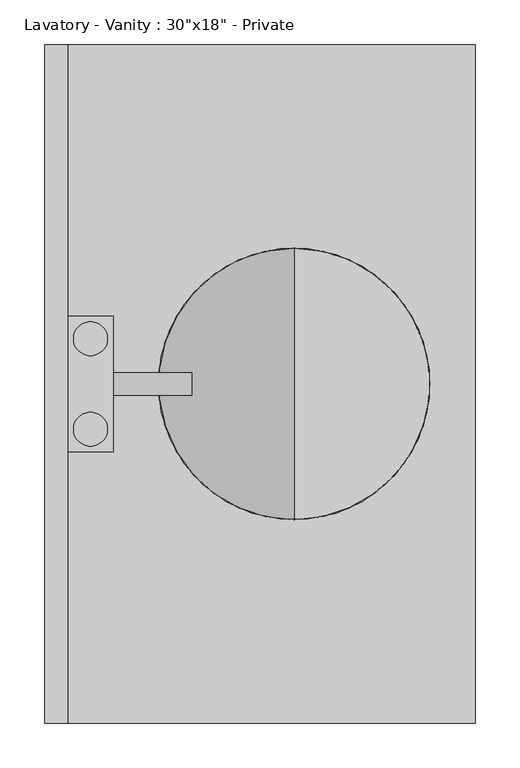
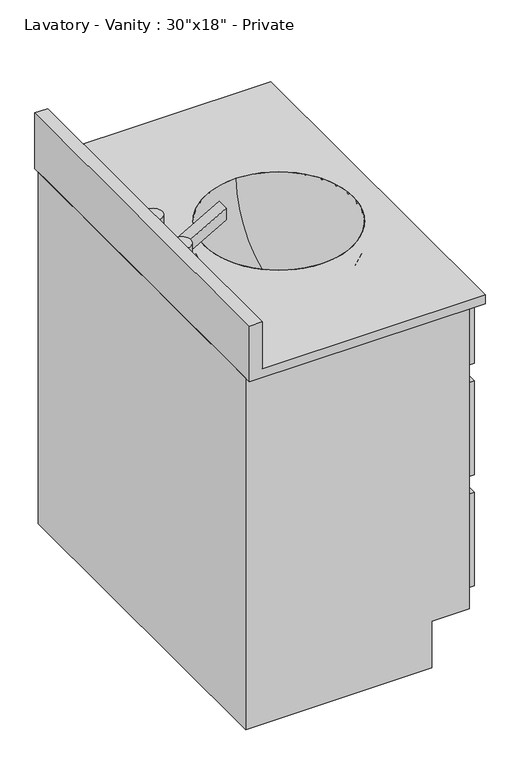
"""IFC4 building model written with IfcOpenShell, lengths in millimetres: flow terminal geometry."""

from ifc_helpers import new_model, si_unit, point, frame, origin, place, context, project, spatial, polyline, circle_curve, ellipse_curve, trimmed, faceted_brep, source, transform, mapped, element, save
from ifc_brep_helpers import plane_surface, cylinder_surface, revolved_surface, advanced_brep


def flow_terminal_a1ff1c74(model_context):
    return source(origin(), model_context, "Body", "SolidModel", [
        advanced_brep(
        [(32.54375, 50.8, 844.55), (70.64375, 50.8, 844.55), (32.54375, -50.8, 844.55), (70.64375, -50.8, 844.55), (32.54375, 50.8, 806.45), (70.64375, 50.8, 806.45), (32.54375, -50.8, 806.45), (70.64375, -50.8, 806.45), (76.99375, 76.2, 806.45), (26.19375, 76.2, 806.45), (26.19375, -76.2, 806.45), (76.99375, -76.2, 806.45), (76.99375, -12.7, 806.45), (76.99375, 12.7, 806.45), (76.99375, -76.2, 781.05), (26.19375, -76.2, 781.05), (26.19375, 76.2, 781.05), (76.99375, 76.2, 781.05), (76.99375, 12.7, 781.05), (76.99375, -12.7, 781.05), (165.1, -12.7, 831.85), (165.1, -12.7, 857.25), (165.1, 12.7, 857.25), (165.1, 12.7, 831.85)],
        [
            (0, 1, circle_curve(frame((51.59375, 50.8, 844.55), z_axis=(0.0, 0.0, 1.0), x_axis=(1.0, 0.0, 0.0)), 19.05)),
            (1, 0, circle_curve(frame((51.59375, 50.8, 844.55), z_axis=(0.0, 0.0, 1.0), x_axis=(1.0, 0.0, 0.0)), 19.05)),
            (2, 3, circle_curve(frame((51.59375, -50.8, 844.55), z_axis=(0.0, 0.0, 1.0), x_axis=(1.0, 0.0, 0.0)), 19.05)),
            (3, 2, circle_curve(frame((51.59375, -50.8, 844.55), z_axis=(0.0, 0.0, 1.0), x_axis=(1.0, 0.0, 0.0)), 19.05)),
            (0, 4),
            (4, 5, circle_curve(frame((51.59375, 50.8, 806.45), z_axis=(0.0, 0.0, 1.0), x_axis=(1.0, 0.0, 0.0)), 19.05)),
            (5, 1),
            (5, 4, circle_curve(frame((51.59375, 50.8, 806.45), z_axis=(0.0, 0.0, 1.0), x_axis=(1.0, 0.0, 0.0)), 19.05)),
            (2, 6),
            (6, 7, circle_curve(frame((51.59375, -50.8, 806.45), z_axis=(0.0, 0.0, 1.0), x_axis=(1.0, 0.0, 0.0)), 19.05)),
            (7, 3),
            (7, 6, circle_curve(frame((51.59375, -50.8, 806.45), z_axis=(0.0, 0.0, 1.0), x_axis=(1.0, 0.0, 0.0)), 19.05)),
            (8, 9),
            (9, 10),
            (10, 11),
            (11, 12),
            (12, 13),
            (13, 8),
            (14, 15),
            (15, 16),
            (16, 17),
            (17, 18),
            (18, 19),
            (19, 14),
            (8, 17),
            (16, 9),
            (15, 10),
            (14, 11),
            (13, 18),
            (19, 12),
            (19, 20),
            (20, 21),
            (21, 12),
            (13, 22),
            (22, 23),
            (23, 18),
            (23, 20),
            (22, 21),
        ],
        [
            plane_surface(frame((70.64375, 50.8, 844.55), z_axis=(0.0, 0.0, 1.0), x_axis=(0.0, 1.0, 0.0))),
            cylinder_surface(frame((51.59375, 50.8, 806.45), z_axis=(0.0, 0.0, 1.0), x_axis=(1.0, 0.0, 0.0)), 19.05),
            cylinder_surface(frame((51.59375, -50.8, 0.0), z_axis=(0.0, 0.0, 1.0), x_axis=(1.0, 0.0, 0.0)), 19.05),
            plane_surface(frame((26.19375, 76.2, 806.45), z_axis=(0.0, 0.0, 1.0), x_axis=(-1.0, 0.0, 0.0))),
            plane_surface(frame((26.19375, 76.2, 781.05), z_axis=(0.0, 0.0, -1.0), x_axis=(1.0, 0.0, 0.0))),
            plane_surface(frame((76.99375, 76.2, 806.45), z_axis=(0.0, 1.0, 0.0), x_axis=(0.0, 0.0, -1.0))),
            plane_surface(frame((26.19375, 76.2, 806.45), z_axis=(-1.0, 0.0, 0.0), x_axis=(0.0, 0.0, -1.0))),
            plane_surface(frame((26.19375, -76.2, 806.45), z_axis=(0.0, -1.0, 0.0), x_axis=(0.0, 0.0, -1.0))),
            plane_surface(frame((76.99375, -76.2, 806.45), z_axis=(1.0, 0.0, 0.0), x_axis=(0.0, 0.0, -1.0))),
            plane_surface(frame((76.99375, -12.7, 806.45), z_axis=(0.0, -1.0, 0.0), x_axis=(0.0, 0.0, -1.0))),
            plane_surface(frame((76.99375, 12.7, 806.45), z_axis=(0.0, 1.0, 0.0), x_axis=(0.0, 0.0, 1.0))),
            plane_surface(frame((76.99375, -12.7, 781.05), z_axis=(0.4994972193446417, 0.0, -0.8663154897997444), x_axis=(0.0, 1.0, 0.0))),
            plane_surface(frame((165.1, -12.7, 831.85), z_axis=(1.0, 0.0, 0.0), x_axis=(0.0, 1.0, 0.0))),
            plane_surface(frame((165.1, -12.7, 857.25), z_axis=(-0.4994972193446448, 0.0, 0.8663154897997426), x_axis=(0.0, 1.0, 0.0))),
        ],
        [
            (0, [[1, 2]]),
            (0, [[3, 4]]),
            (1, [[-1, 5, 6, 7]]),
            (1, [[-2, -7, 8, -5]]),
            (2, [[-3, 9, 10, 11]]),
            (2, [[-4, -11, 12, -9]]),
            (3, [[13, 14, 15, 16, 17, 18], [-6, -8], [-10, -12]]),
            (4, [[19, 20, 21, 22, 23, 24]]),
            (5, [[-13, 25, -21, 26]]),
            (6, [[-14, -26, -20, 27]]),
            (7, [[-15, -27, -19, 28]]),
            (8, [[-25, -18, 29, -22]]),
            (8, [[-28, -24, 30, -16]]),
            (9, [[31, 32, 33, -30]]),
            (10, [[34, 35, 36, -29]]),
            (11, [[-31, -23, -36, 37]]),
            (12, [[-32, -37, -35, 38]]),
            (13, [[-33, -38, -34, -17]]),
        ],
    ),
        faceted_brep([(381.79375, 368.3, 0.0), (381.79375, -368.3, 0.0), (0.0, -368.3, 0.0), (0.0, 368.3, 0.0), (0.0, 368.3, 762.0), (457.99375, 368.3, 762.0), (457.99375, 368.3, 101.6), (381.79375, 368.3, 101.6), (0.0, -368.3, 762.0), (381.79375, -368.3, 101.6), (457.99375, -368.3, 101.6), (457.99375, -368.3, 762.0), (26.19375, 342.9, 762.0), (445.29375, 342.9, 762.0), (445.29375, -342.9, 762.0), (26.19375, -342.9, 762.0), (457.99375, -342.9, 736.6), (457.99375, 342.9, 736.6), (457.99375, 342.9, 609.6), (457.99375, -342.9, 609.6), (457.99375, -342.9, 571.5), (457.99375, -88.9, 571.5), (457.99375, -88.9, 368.3), (457.99375, -342.9, 368.3), (457.99375, -342.9, 330.2), (457.99375, -88.9, 330.2), (457.99375, -88.9, 127.0), (457.99375, -342.9, 127.0), (457.99375, -50.8, 571.5), (457.99375, 342.9, 571.5), (457.99375, 342.9, 127.0), (457.99375, -50.8, 127.0), (445.29375, 342.9, 368.3), (26.19375, 342.9, 368.3), (26.19375, -342.9, 368.3), (445.29375, -342.9, 368.3), (483.39375, 342.9, 736.6), (483.39375, -342.9, 736.6), (483.39375, -342.9, 609.6), (483.39375, 342.9, 609.6), (483.39375, -88.9, 571.5), (483.39375, -342.9, 571.5), (483.39375, -342.9, 368.3), (483.39375, -88.9, 368.3), (483.39375, -88.9, 330.2), (483.39375, -342.9, 330.2), (483.39375, -342.9, 127.0), (483.39375, -88.9, 127.0), (483.39375, 342.9, 571.5), (483.39375, -50.8, 571.5), (483.39375, -50.8, 127.0), (483.39375, 342.9, 127.0)], [[[0, 1, 2, 3]], [[0, 3, 4, 5, 6, 7]], [[3, 2, 8, 4]], [[2, 1, 9, 10, 11, 8]], [[1, 0, 7, 9]], [[5, 4, 8, 11], [12, 13, 14, 15]], [[6, 10, 9, 7]], [[5, 11, 10, 6], [16, 17, 18, 19], [20, 21, 22, 23], [24, 25, 26, 27], [28, 29, 30, 31]], [[32, 33, 34, 35]], [[33, 32, 13, 12]], [[34, 33, 12, 15]], [[35, 34, 15, 14]], [[32, 35, 14, 13]], [[36, 37, 38, 39]], [[40, 41, 42, 43]], [[44, 45, 46, 47]], [[48, 49, 50, 51]], [[37, 36, 17, 16]], [[38, 37, 16, 19]], [[39, 38, 19, 18]], [[36, 39, 18, 17]], [[41, 40, 21, 20]], [[42, 41, 20, 23]], [[43, 42, 23, 22]], [[40, 43, 22, 21]], [[45, 44, 25, 24]], [[46, 45, 24, 27]], [[47, 46, 27, 26]], [[44, 47, 26, 25]], [[49, 48, 29, 28]], [[50, 49, 28, 31]], [[51, 50, 31, 30]], [[48, 51, 30, 29]]]),
        advanced_brep(
        [(280.19375, 0.0, 628.65), (280.19375, 152.4, 781.05), (280.19375, -152.4, 781.05), (280.19375, -44.45, 628.65), (280.19375, 44.45, 628.65), (280.19375, 0.0, 628.65), (280.19375, -157.6028553, 762.0), (280.19375, 157.6028553, 762.0)],
        [
            (0, 1, circle_curve(frame((280.19375, 0.0, 781.05), z_axis=(1.0, 0.0, 0.0), x_axis=(0.0, 1.0, 0.0)), 152.4)),
            (1, 2, circle_curve(frame((280.19375, 0.0, 781.05), z_axis=(0.0, 0.0, 1.0), x_axis=(0.0, 1.0, 0.0)), 152.4)),
            (2, 0, circle_curve(frame((280.19375, 0.0, 781.05), z_axis=(1.0, 0.0, 0.0), x_axis=(0.0, -1.0, 0.0)), 152.4)),
            (2, 1, circle_curve(frame((280.19375, 0.0, 781.05), z_axis=(0.0, 0.0, 1.0), x_axis=(0.0, 1.0, 0.0)), 152.4)),
            (3, 4, circle_curve(frame((280.19375, 0.0, 628.65), z_axis=(0.0, 0.0, -1.0), x_axis=(0.0, 1.0, 0.0)), 44.45)),
            (4, 5),
            (5, 3),
            (4, 3, circle_curve(frame((280.19375, 0.0, 628.65), z_axis=(0.0, 0.0, -1.0), x_axis=(0.0, 1.0, 0.0)), 44.45)),
            (6, 7, circle_curve(frame((280.19375, 0.0, 762.0), z_axis=(0.0, 0.0, -1.0), x_axis=(0.0, 1.0, 0.0)), 157.6028553)),
            (7, 4, circle_curve(frame((280.19375, 0.0, 781.05), z_axis=(-1.0, 0.0, 0.0), x_axis=(0.0, 1.0, 0.0)), 158.75)),
            (3, 6, circle_curve(frame((280.19375, 0.0, 781.05), z_axis=(-1.0, 0.0, 0.0), x_axis=(0.0, -1.0, 0.0)), 158.75)),
            (7, 6, circle_curve(frame((280.19375, 0.0, 762.0), z_axis=(0.0, 0.0, -1.0), x_axis=(0.0, 1.0, 0.0)), 157.6028553)),
            (1, 7),
            (6, 2),
        ],
        [
            revolved_surface(trimmed(ellipse_curve(frame((280.19375, 0.0, 781.05), z_axis=(-1.0, 0.0, 0.0), x_axis=(0.0, 1.0, 0.0)), 152.4, 152.4), [point((280.19375, 152.4, 781.05))], [point((280.19375, 0.0, 628.65))], True, "CARTESIAN"), (280.19375, 0.0, 520.7), (0.0, 0.0, 1.0)),
            plane_surface(frame((280.19375, 0.0, 628.65), z_axis=(0.0, 0.0, -1.0), x_axis=(0.0, 1.0, 0.0))),
            revolved_surface(trimmed(ellipse_curve(frame((280.19375, 0.0, 781.05), z_axis=(1.0, 0.0, 0.0), x_axis=(0.0, 1.0, 0.0)), 158.75, 158.75), [point((280.19375, 44.45, 628.65))], [point((280.19375, 157.6028553, 762.0))], True, "CARTESIAN"), (280.19375, 0.0, 520.7), (0.0, 0.0, 1.0)),
            revolved_surface(polyline([(280.19375, 157.6028553, 762.0), (280.19375, 152.4, 781.05)]), (280.19375, 0.0, 520.7), (0.0, 0.0, 1.0)),
        ],
        [
            (0, [[1, 2, 3]]),
            (0, [[-3, 4, -1]]),
            (1, [[5, 6, 7]]),
            (1, [[8, -7, -6]]),
            (2, [[9, 10, -5, 11]]),
            (2, [[12, -11, -8, -10]]),
            (3, [[-2, 13, -9, 14]]),
            (3, [[-4, -14, -12, -13]]),
        ],
    ),
        advanced_brep(
        [(483.39375, -381.0, 781.05), (483.39375, 381.0, 781.05), (26.19375, 381.0, 781.05), (26.19375, -381.0, 781.05), (432.59375, 0.0, 781.05), (127.79375, 0.0, 781.05), (483.39375, 381.0, 762.0), (483.39375, -381.0, 762.0), (0.0, -381.0, 762.0), (0.0, 381.0, 762.0), (127.79375, 0.0, 762.0), (432.59375, 0.0, 762.0), (0.0, 381.0, 882.65), (26.19375, 381.0, 882.65), (0.0, -381.0, 882.65), (26.19375, -381.0, 882.65)],
        [
            (0, 1),
            (1, 2),
            (2, 3),
            (3, 0),
            (4, 5, circle_curve(frame((280.19375, 0.0, 781.05), z_axis=(0.0, 0.0, -1.0), x_axis=(1.0, 0.0, 0.0)), 152.4)),
            (5, 4, circle_curve(frame((280.19375, 0.0, 781.05), z_axis=(0.0, 0.0, -1.0), x_axis=(1.0, 0.0, 0.0)), 152.4)),
            (6, 7),
            (7, 8),
            (8, 9),
            (9, 6),
            (10, 11, circle_curve(frame((280.19375, 0.0, 762.0), z_axis=(0.0, 0.0, 1.0), x_axis=(1.0, 0.0, 0.0)), 152.4)),
            (11, 10, circle_curve(frame((280.19375, 0.0, 762.0), z_axis=(0.0, 0.0, 1.0), x_axis=(1.0, 0.0, 0.0)), 152.4)),
            (9, 12),
            (12, 13),
            (13, 2),
            (1, 6),
            (8, 14),
            (14, 12),
            (7, 0),
            (3, 15),
            (15, 14),
            (4, 11),
            (10, 5),
            (15, 13),
        ],
        [
            plane_surface(frame((0.0, 381.0, 781.05), z_axis=(0.0, 0.0, 1.0), x_axis=(-1.0, 0.0, 0.0))),
            plane_surface(frame((0.0, 381.0, 762.0), z_axis=(0.0, 0.0, -1.0), x_axis=(1.0, 0.0, 0.0))),
            plane_surface(frame((483.39375, 381.0, 781.05), z_axis=(0.0, 1.0, 0.0), x_axis=(0.0, 0.0, -1.0))),
            plane_surface(frame((0.0, 381.0, 781.05), z_axis=(-1.0, 0.0, 0.0), x_axis=(0.0, 0.0, -1.0))),
            plane_surface(frame((0.0, -381.0, 781.05), z_axis=(0.0, -1.0, 0.0), x_axis=(0.0, 0.0, -1.0))),
            plane_surface(frame((483.39375, -381.0, 781.05), z_axis=(1.0, 0.0, 0.0), x_axis=(0.0, 0.0, -1.0))),
            revolved_surface(polyline([(432.59375, 0.0, 781.05), (432.59375, 0.0, 762.0)]), (280.19375, 0.0, 762.0), (0.0, 0.0, 1.0)),
            plane_surface(frame((0.0, 381.0, 882.65), z_axis=(0.0, 0.0, 1.0), x_axis=(-1.0, 0.0, 0.0))),
            plane_surface(frame((26.19375, -381.0, 882.65), z_axis=(1.0, 0.0, 0.0), x_axis=(0.0, 0.0, -1.0))),
        ],
        [
            (0, [[1, 2, 3, 4], [5, 6]]),
            (1, [[7, 8, 9, 10], [11, 12]]),
            (2, [[-10, 13, 14, 15, -2, 16]]),
            (3, [[-13, -9, 17, 18]]),
            (4, [[-17, -8, 19, -4, 20, 21]]),
            (5, [[-1, -19, -7, -16]]),
            (6, [[22, -11, 23, -5]]),
            (6, [[-22, -6, -23, -12]]),
            (7, [[-14, -18, -21, 24]]),
            (8, [[-24, -20, -3, -15]]),
        ],
    ),
    ])


if __name__ == "__main__":
    model = new_model("IFC4")
    model_context = context("Model", 3, world=origin())
    ifc_project = project(units=[si_unit("LENGTHUNIT", "METRE", prefix="MILLI")], contexts=[model_context])
    site = spatial("IfcSite", under=ifc_project)
    building = spatial("IfcBuilding", under=site)
    placement = place(None, origin())
    flow_terminal_shape = flow_terminal_a1ff1c74(model_context)
    element("IfcFlowTerminal", 1, ObjectType="Lavatory - Vanity : 30\"x18\" - Private", at=placement, inside=building, context=model_context, shape_type="MappedRepresentation", body=[
        mapped(flow_terminal_shape, transform((0.0, 0.0, 0.0), x_axis=(1.0, 0.0, 0.0), y_axis=(0.0, 1.0, 0.0), z_axis=(0.0, 0.0, 1.0))),
    ])
    save(model, "model.ifc")
